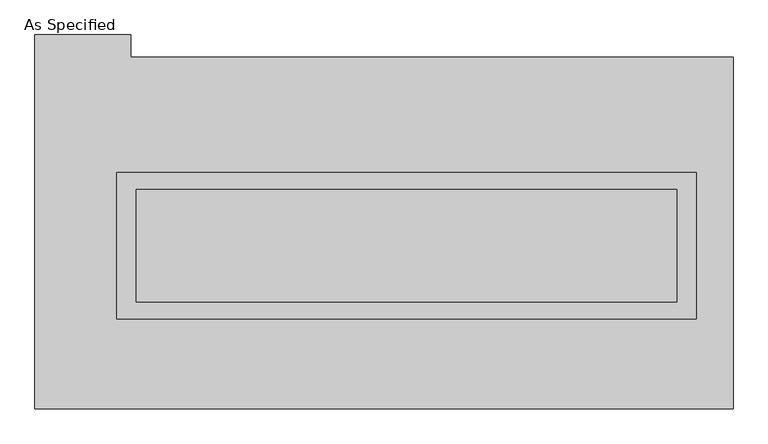
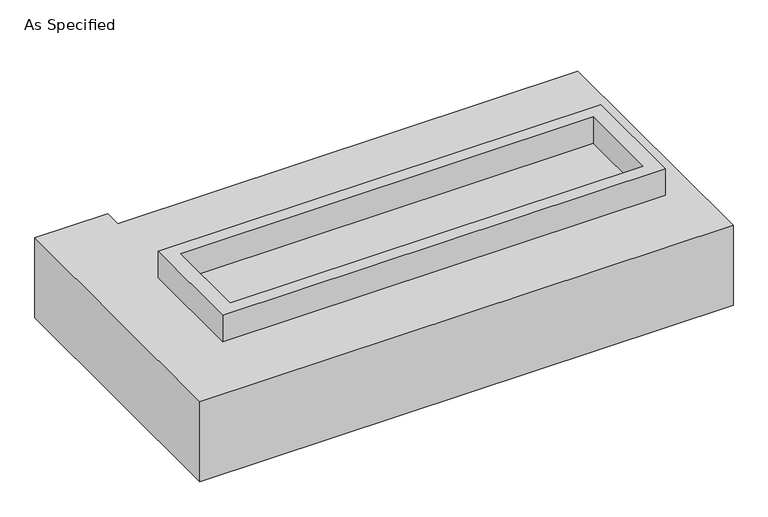
"""IFC4 building model written with IfcOpenShell, lengths in millimetres: proxy geometry, As Specified."""

from ifc_helpers import new_model, si_unit, frame, origin, place, context, project, spatial, polyline, outline, extrude, faceted_brep, source, transform, mapped, element, save


def as_specified_fb3177cb(model_context):
    return source(origin(), model_context, "Body", "SolidModel", [
        extrude(outline(polyline([(1308.1, 273.05), (1308.1, -387.35), (-1308.1, -387.35), (-1308.1, 273.05), (1308.1, 273.05)]), holes=[polyline([(1219.2, 196.85), (-1219.2, 196.85), (-1219.2, -311.15), (1219.2, -311.15), (1219.2, 196.85)])]), frame((0.0, 0.0, -25.4), z_axis=(0.0, 0.0, 1.0), x_axis=(1.0, 0.0, 0.0)), (0.0, 0.0, 1.0), 165.1),
        extrude(outline(polyline([(1219.2, 196.85), (1219.2, -311.15), (-1219.2, -311.15), (-1219.2, 196.85), (1219.2, 196.85)])), frame((0.0, 0.0, -30.3609375), z_axis=(0.0, 0.0, 1.0), x_axis=(1.0, 0.0, 0.0)), (0.0, 0.0, 1.0), 4.9609375),
        faceted_brep([(1473.2, -793.75, -523.875), (-1676.4, -793.75, -523.875), (-1676.4, 895.35, -523.875), (-1244.6, 895.35, -523.875), (-1244.6, 793.75, -523.875), (1473.2, 793.75, -523.875), (-1676.4, -793.75, -25.4), (1473.2, -793.75, -25.4), (1473.2, 793.75, -25.4), (-1244.6, 793.75, -25.4), (-1244.6, 895.35, -25.4), (-1676.4, 895.35, -25.4), (-1308.1, -387.35, -25.4), (-1308.1, 273.05, -25.4), (1308.1, 273.05, -25.4), (1308.1, -387.35, -25.4), (1308.1, 273.05, -498.475), (-1308.1, 273.05, -498.475), (-1308.1, -387.35, -498.475), (1308.1, -387.35, -498.475)], [[[0, 1, 2, 3, 4, 5]], [[6, 7, 8, 9, 10, 11], [12, 13, 14, 15]], [[8, 5, 4, 9]], [[2, 1, 6, 11]], [[5, 8, 7, 0]], [[16, 17, 18, 19]], [[18, 17, 13, 12]], [[17, 16, 14, 13]], [[16, 19, 15, 14]], [[12, 15, 19, 18]], [[1, 0, 7, 6]], [[4, 3, 10, 9]], [[3, 2, 11, 10]]]),
    ])


if __name__ == "__main__":
    model = new_model("IFC4")
    model_context = context("Model", 3, world=origin())
    ifc_project = project(units=[si_unit("LENGTHUNIT", "METRE", prefix="MILLI")], contexts=[model_context])
    site = spatial("IfcSite", under=ifc_project)
    building = spatial("IfcBuilding", under=site)
    placement = place(None, origin())
    as_specified_shape = as_specified_fb3177cb(model_context)
    element("IfcBuildingElementProxy", 1, Name="As Specified", ObjectType="As Specified", at=placement, inside=building, context=model_context, shape_type="MappedRepresentation", body=[
        mapped(as_specified_shape, transform((0.0, 0.0, 0.0), x_axis=(1.0, 0.0, 0.0), y_axis=(0.0, 1.0, 0.0), z_axis=(0.0, 0.0, 1.0))),
    ])
    save(model, "model.ifc")
